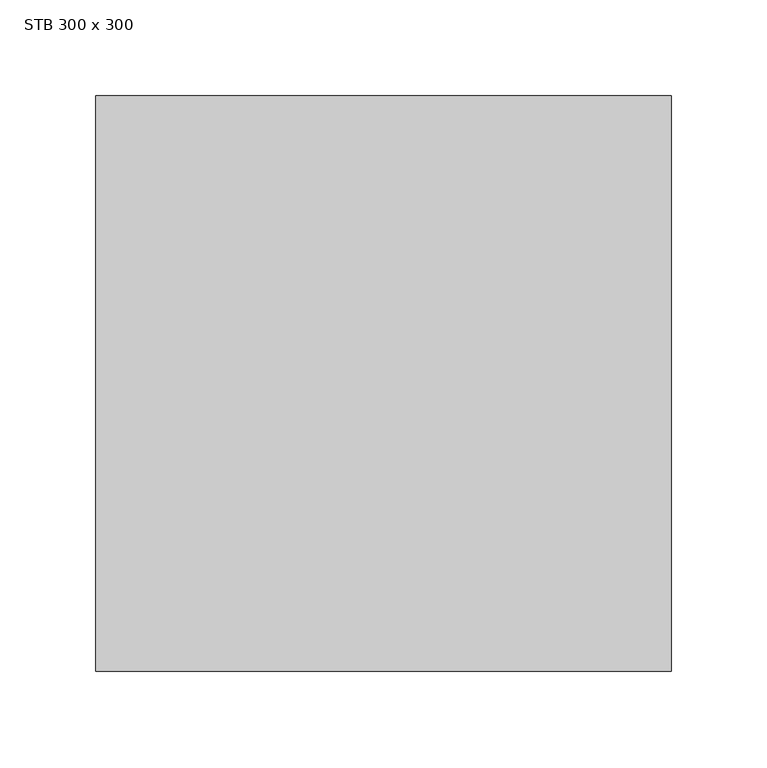
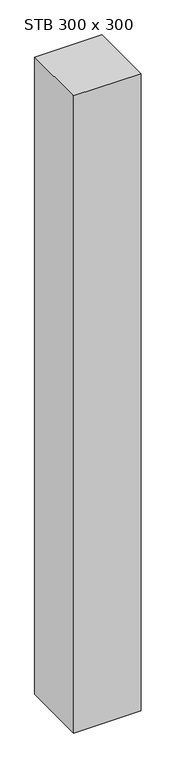
"""IFC4 building model written with IfcOpenShell, lengths in millimetres: column geometry, STB 300 x 300."""

import ifcopenshell
import ifcopenshell.guid

model = None  # the IFC model being written
_history = None  # IfcOwnerHistory: only IFC2X3 demands one
_inside = {}  # id of a spatial element -> (the spatial element, [elements in it])
_under = {}  # id of a project, library or spatial element -> (it, [spatial elements below it])
_declared = {}  # id of a project -> (the project, [libraries it declares])
_typed = {}  # id of a type object -> (the type object, [elements of that type])
_made_of = {}  # id of a material, layer set ... -> (it, [elements and type objects made of it])


def new_model(schema):
    """Start an empty IFC model of exactly this schema.

    Asked for "IFC4X3", IfcOpenShell would pick the latest addendum, in which some entities
    have other attributes; the version numbers below select the first issue.
    IFC2X3 requires an IfcOwnerHistory on every rooted entity: one is made here for all.
    """
    global model, _history
    if schema == "IFC4X3":
        model = ifcopenshell.file(schema_version=(4, 3, 0, 0))
    else:
        model = ifcopenshell.file(schema=schema)
    _inside.clear()
    _under.clear()
    _declared.clear()
    _typed.clear()
    _made_of.clear()
    _history = None
    if model.schema == "IFC2X3":
        org = make("IfcOrganization", Name="unknown")
        user = make(
            "IfcPersonAndOrganization",
            ThePerson=make("IfcPerson", FamilyName="unknown"),
            TheOrganization=org,
        )
        app = make(
            "IfcApplication",
            ApplicationDeveloper=org,
            Version="unknown",
            ApplicationFullName="unknown",
            ApplicationIdentifier="unknown",
        )
        _history = make(
            "IfcOwnerHistory",
            OwningUser=user,
            OwningApplication=app,
            ChangeAction="ADDED",
            CreationDate=0,
        )
    return model


def make(cls, **values):
    """One entity of the class cls with the attributes given. An attribute that is None is left unset."""
    return model.create_entity(
        cls, **{name: value for name, value in values.items() if value is not None}
    )


def rooted(cls, **values):
    """An entity with a GlobalId (a new one), such as an element, a storey or a relation."""
    return make(cls, GlobalId=ifcopenshell.guid.new(), OwnerHistory=_history, **values)


def si_unit(unit_type, name, prefix=None):
    """IfcSIUnit, for example si_unit("LENGTHUNIT", "METRE", prefix="MILLI")."""
    return make("IfcSIUnit", UnitType=unit_type, Prefix=prefix, Name=name)


def assignment(units):
    """IfcUnitAssignment: the units of a project."""
    return None if units is None else make("IfcUnitAssignment", Units=units)


def point(xyz):
    """IfcCartesianPoint."""
    return None if xyz is None else make("IfcCartesianPoint", Coordinates=xyz)


def direction(xyz):
    """IfcDirection."""
    return None if xyz is None else make("IfcDirection", DirectionRatios=xyz)


def frame(location, z_axis=None, x_axis=None):
    """IfcAxis2Placement3D, a coordinate frame: its origin and axes. An axis left out is left unset."""
    return make(
        "IfcAxis2Placement3D",
        Location=point(location),
        Axis=direction(z_axis),
        RefDirection=direction(x_axis),
    )


def origin():
    """The frame at (0, 0, 0) with its axes left unset."""
    return frame((0.0, 0.0, 0.0))


def origin_with_axes():
    """The frame at (0, 0, 0) with the z axis (0, 0, 1) and the x axis (1, 0, 0) written out."""
    return frame((0.0, 0.0, 0.0), z_axis=(0.0, 0.0, 1.0), x_axis=(1.0, 0.0, 0.0))


def place(relative_to, where):
    """IfcLocalPlacement: puts the frame where relative to a parent placement (None: the world)."""
    return make(
        "IfcLocalPlacement", PlacementRelTo=relative_to, RelativePlacement=where
    )


def context(
    kind, dimensions, precision=None, world=None, true_north=None, identifier=None
):
    """IfcGeometricRepresentationContext, for example the 3D "Model" context."""
    return make(
        "IfcGeometricRepresentationContext",
        ContextIdentifier=identifier,
        ContextType=kind,
        CoordinateSpaceDimension=dimensions,
        Precision=precision,
        WorldCoordinateSystem=world,
        TrueNorth=true_north,
    )


def project(units=None, contexts=None):
    """IfcProject with its units and contexts."""
    return rooted(
        "IfcProject",
        Name="project",
        RepresentationContexts=contexts,
        UnitsInContext=assignment(units),
    )


def spatial(cls, under=None, at=None, **own):
    """A site, building, storey or space (cls), placed at a placement, below another one or the project."""
    s = rooted(cls, ObjectPlacement=at, **own)
    if under is not None:
        _under.setdefault(under.id(), (under, []))[1].append(s)
    return s


def polyline(points):
    """IfcPolyline through the points."""
    return make("IfcPolyline", Points=[point(p) for p in points])


def outline(outer, holes=None, kind="AREA"):
    """IfcArbitraryClosedProfileDef: a profile drawn as a closed curve; with holes, ...WithVoids."""
    if holes is None:
        return make("IfcArbitraryClosedProfileDef", ProfileType=kind, OuterCurve=outer)
    return make(
        "IfcArbitraryProfileDefWithVoids",
        ProfileType=kind,
        OuterCurve=outer,
        InnerCurves=holes,
    )


def extrude(swept, where, along, depth):
    """IfcExtrudedAreaSolid: the profile swept, set in the frame where, extruded along a direction by depth."""
    return make(
        "IfcExtrudedAreaSolid",
        SweptArea=swept,
        Position=where,
        ExtrudedDirection=direction(along),
        Depth=depth,
    )


def shape(context_of_items, identifier, shape_type, items):
    """IfcShapeRepresentation: the items that make up one representation, for example the "Body"."""
    return make(
        "IfcShapeRepresentation",
        ContextOfItems=context_of_items,
        RepresentationIdentifier=identifier,
        RepresentationType=shape_type,
        Items=items,
    )


def source(mapping_origin, context_of_items, identifier, shape_type, items):
    """IfcRepresentationMap: a shape defined once, which mapped items show again and again."""
    return make(
        "IfcRepresentationMap",
        MappingOrigin=mapping_origin,
        MappedRepresentation=shape(context_of_items, identifier, shape_type, items),
    )


def transform(
    local_origin,
    x_axis=None,
    y_axis=None,
    z_axis=None,
    scale=None,
    scale2=None,
    scale3=None,
    uniform=True,
):
    """IfcCartesianTransformationOperator3D, or its non-uniform kind. x_axis, y_axis, z_axis: its Axis1, 2, 3."""
    if uniform:
        return make(
            "IfcCartesianTransformationOperator3D",
            Axis1=direction(x_axis),
            Axis2=direction(y_axis),
            LocalOrigin=point(local_origin),
            Scale=scale,
            Axis3=direction(z_axis),
        )
    return make(
        "IfcCartesianTransformationOperator3DnonUniform",
        Axis1=direction(x_axis),
        Axis2=direction(y_axis),
        LocalOrigin=point(local_origin),
        Scale=scale,
        Axis3=direction(z_axis),
        Scale2=scale2,
        Scale3=scale3,
    )


def mapped(mapping_source, mapping_target):
    """IfcMappedItem: shows the shape of a source again, moved by a transform."""
    return make(
        "IfcMappedItem", MappingSource=mapping_source, MappingTarget=mapping_target
    )


def made_of(thing, what):
    """Note that an element or type object is made of a material, layer set ...; save() writes the relation."""
    if what is not None:
        _made_of.setdefault(what.id(), (what, []))[1].append(thing)
    return thing


def element(
    cls,
    number,
    at=None,
    inside=None,
    cuts=None,
    type_object=None,
    material=None,
    context=None,
    identifier="Body",
    shape_type=None,
    held_by="IfcProductDefinitionShape",
    body=None,
    shapes=None,
    **own,
):
    """One element of the class cls, such as IfcWall. Its Tag is "e" and its number.

    at: its placement. inside: the storey or other place that contains it. cuts: it is an
    opening in that element (IfcRelVoidsElement). A single representation is given by context,
    identifier, shape_type and body (its items); several are given by shapes. held_by: the class
    of the entity that holds the representations. save() writes the other relations.
    """
    e = rooted(cls, Tag="e%d" % number, ObjectPlacement=at, **own)
    if body is not None:
        shapes = [shape(context, identifier, shape_type, body)]
    if shapes is not None:
        e.Representation = make(held_by, Representations=shapes)
    if inside is not None:
        _inside.setdefault(inside.id(), (inside, []))[1].append(e)
    if cuts is not None:
        rooted(
            "IfcRelVoidsElement", RelatingBuildingElement=cuts, RelatedOpeningElement=e
        )
    if type_object is not None:
        _typed.setdefault(type_object.id(), (type_object, []))[1].append(e)
    return made_of(e, material)


def aggregate(whole, parts):
    """IfcRelAggregates: a whole, such as a stair, and the parts it consists of."""
    return rooted("IfcRelAggregates", RelatingObject=whole, RelatedObjects=parts)


def save(model, path):
    """Write the relations noted so far, then the file.

    IfcRelAggregates (storeys below a building ...), IfcRelContainedInSpatialStructure (elements
    in a storey), IfcRelDefinesByType, IfcRelAssociatesMaterial and IfcRelDeclares: one each for
    every whole, place, type object, material and project.
    """
    for whole, parts in _under.values():
        aggregate(whole, parts)
    for where, things in _inside.values():
        rooted(
            "IfcRelContainedInSpatialStructure",
            RelatedElements=things,
            RelatingStructure=where,
        )
    for kind, things in _typed.values():
        rooted("IfcRelDefinesByType", RelatedObjects=things, RelatingType=kind)
    for what, things in _made_of.values():
        rooted("IfcRelAssociatesMaterial", RelatedObjects=things, RelatingMaterial=what)
    for by, libraries in _declared.values():
        rooted("IfcRelDeclares", RelatingContext=by, RelatedDefinitions=libraries)
    model.write(path)


def stb_300_x_300_ecec69fe(model_context):
    return source(origin(), model_context, "Body", "SweptSolid", [
        extrude(outline(polyline([(150.0, 150.0), (150.0, -150.0), (-150.0, -150.0), (-150.0, 150.0), (150.0, 150.0)])), origin_with_axes(), (0.0, 0.0, 1.0), 3000.0),
    ])


if __name__ == "__main__":
    model = new_model("IFC4")
    model_context = context("Model", 3, world=origin())
    ifc_project = project(units=[si_unit("LENGTHUNIT", "METRE", prefix="MILLI")], contexts=[model_context])
    site = spatial("IfcSite", under=ifc_project)
    building = spatial("IfcBuilding", under=site)
    placement = place(None, origin())
    stb_300_x_300_shape = stb_300_x_300_ecec69fe(model_context)
    element("IfcColumn", 1, ObjectType="STB 300 x 300", at=placement, inside=building, context=model_context, shape_type="MappedRepresentation", body=[
        mapped(stb_300_x_300_shape, transform((0.0, 0.0, 0.0), x_axis=(1.0, 0.0, 0.0), y_axis=(0.0, 1.0, 0.0), z_axis=(0.0, 0.0, 1.0))),
    ])
    save(model, "model.ifc")
